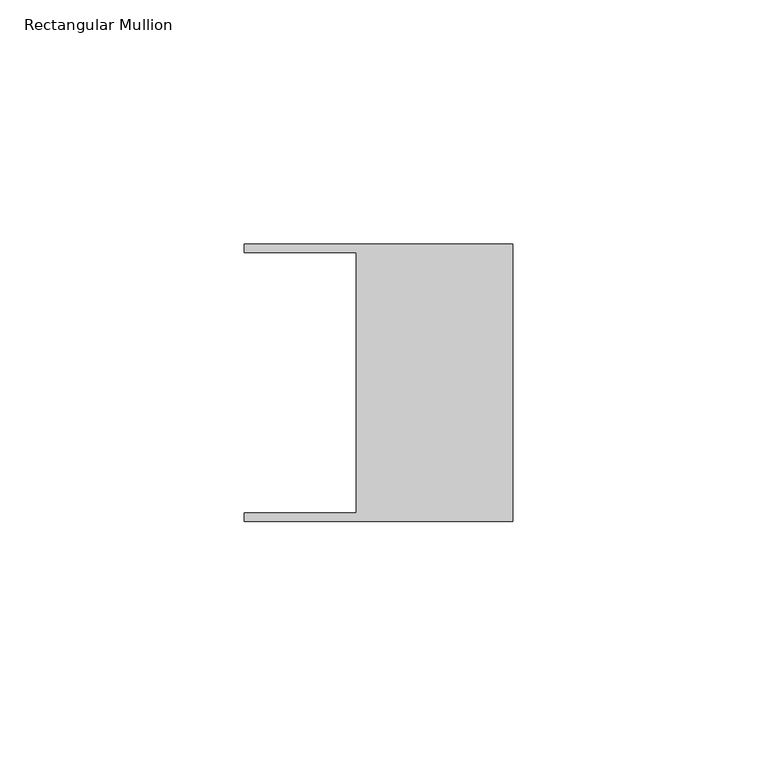
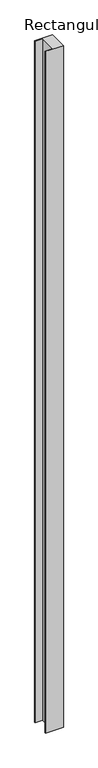
"""IFC4 building model written with IfcOpenShell, lengths in millimetres: member geometry, Rectangular Mullion."""

from ifc_helpers import new_model, si_unit, frame, origin, place, context, project, spatial, polyline, outline, extrude, source, transform, mapped, element, save


def rectangular_mullion_7fcae35c(model_context):
    return source(origin(), model_context, "Body", "SweptSolid", [
        extrude(outline(polyline([(-32.004, -26.67), (-32.004, 26.67), (-54.991, 26.67), (-54.991, 28.448), (0.0, 28.448), (0.0, -28.448), (-54.991, -28.448), (-54.991, -26.67), (-32.004, -26.67)])), frame((0.0, 0.0, -2209.8), z_axis=(0.0, 0.0, 1.0), x_axis=(1.0, 0.0, 0.0)), (0.0, 0.0, 1.0), 2209.8),
    ])


if __name__ == "__main__":
    model = new_model("IFC4")
    model_context = context("Model", 3, world=origin())
    ifc_project = project(units=[si_unit("LENGTHUNIT", "METRE", prefix="MILLI")], contexts=[model_context])
    site = spatial("IfcSite", under=ifc_project)
    building = spatial("IfcBuilding", under=site)
    placement = place(None, origin())
    rectangular_mullion_shape = rectangular_mullion_7fcae35c(model_context)
    element("IfcMember", 1, ObjectType="Rectangular Mullion", at=placement, inside=building, context=model_context, shape_type="MappedRepresentation", body=[
        mapped(rectangular_mullion_shape, transform((0.0, 0.0, 0.0), x_axis=(1.0, 0.0, 0.0), y_axis=(0.0, 1.0, 0.0), z_axis=(0.0, 0.0, 1.0))),
    ])
    save(model, "model.ifc")
